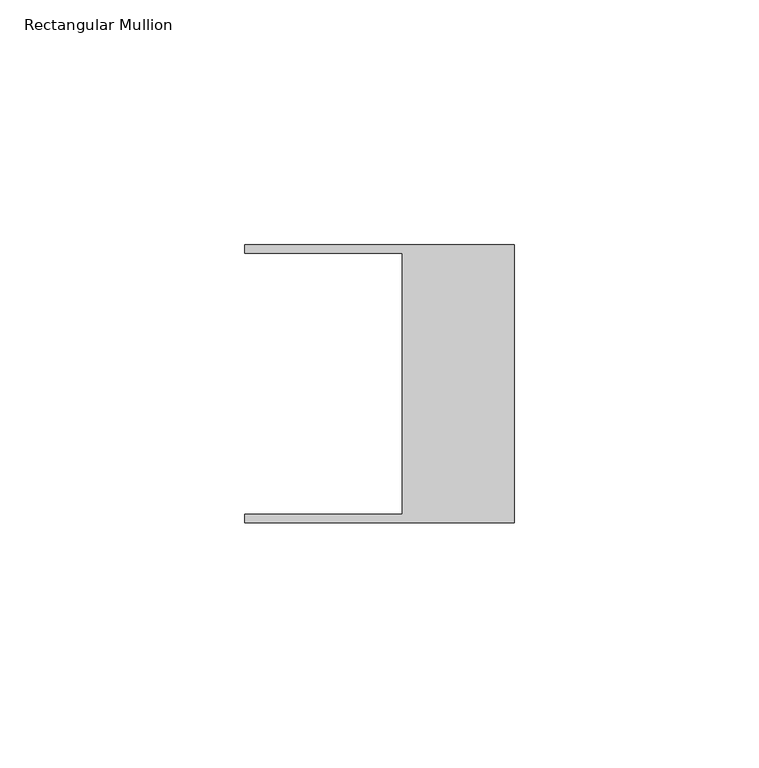
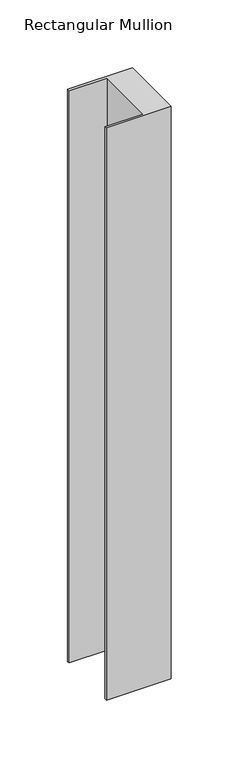
"""IFC4 building model written with IfcOpenShell, lengths in millimetres: member geometry, Rectangular Mullion."""

from ifc_helpers import new_model, si_unit, frame, origin, place, context, project, spatial, polyline, outline, extrude, source, transform, mapped, element, save


def rectangular_mullion_44c71c0f(model_context):
    return source(origin(), model_context, "Body", "SweptSolid", [
        extrude(outline(polyline([(-55.118, 26.67), (-55.118, 28.448), (0.0, 28.448), (0.0, -28.448), (-55.118, -28.448), (-55.118, -26.67), (-22.86, -26.67), (-22.86, 26.67), (-55.118, 26.67)])), frame((0.0, 0.0, -514.35), z_axis=(0.0, 0.0, 1.0), x_axis=(1.0, 0.0, 0.0)), (0.0, 0.0, 1.0), 514.35),
    ])


if __name__ == "__main__":
    model = new_model("IFC4")
    model_context = context("Model", 3, world=origin())
    ifc_project = project(units=[si_unit("LENGTHUNIT", "METRE", prefix="MILLI")], contexts=[model_context])
    site = spatial("IfcSite", under=ifc_project)
    building = spatial("IfcBuilding", under=site)
    placement = place(None, origin())
    rectangular_mullion_shape = rectangular_mullion_44c71c0f(model_context)
    element("IfcMember", 1, ObjectType="Rectangular Mullion", at=placement, inside=building, context=model_context, shape_type="MappedRepresentation", body=[
        mapped(rectangular_mullion_shape, transform((0.0, 0.0, 0.0), x_axis=(1.0, 0.0, 0.0), y_axis=(0.0, 1.0, 0.0), z_axis=(0.0, 0.0, 1.0))),
    ])
    save(model, "model.ifc")
